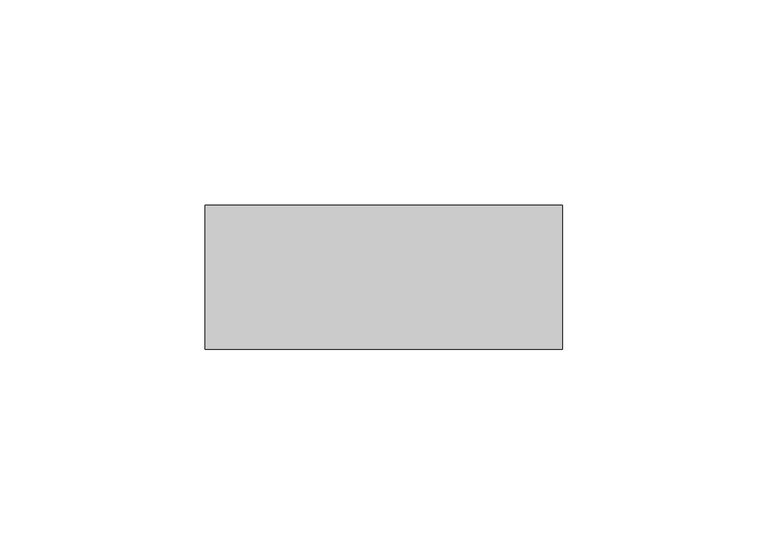
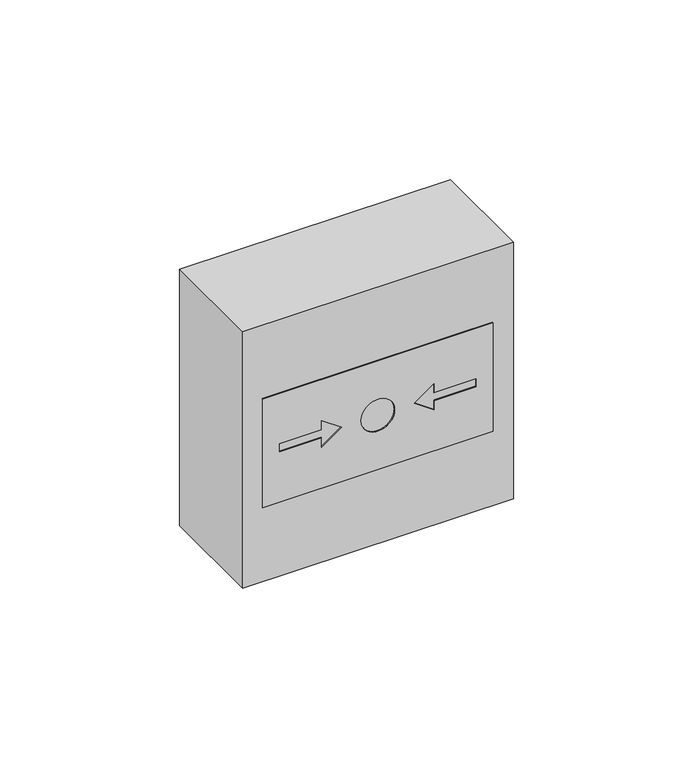
"""IFC4 building model written with IfcOpenShell, lengths in millimetres: alarm geometry."""

import ifcopenshell
import ifcopenshell.guid

model = None  # the IFC model being written
_history = None  # IfcOwnerHistory: only IFC2X3 demands one
_inside = {}  # id of a spatial element -> (the spatial element, [elements in it])
_under = {}  # id of a project, library or spatial element -> (it, [spatial elements below it])
_declared = {}  # id of a project -> (the project, [libraries it declares])
_typed = {}  # id of a type object -> (the type object, [elements of that type])
_made_of = {}  # id of a material, layer set ... -> (it, [elements and type objects made of it])


def new_model(schema):
    """Start an empty IFC model of exactly this schema.

    Asked for "IFC4X3", IfcOpenShell would pick the latest addendum, in which some entities
    have other attributes; the version numbers below select the first issue.
    IFC2X3 requires an IfcOwnerHistory on every rooted entity: one is made here for all.
    """
    global model, _history
    if schema == "IFC4X3":
        model = ifcopenshell.file(schema_version=(4, 3, 0, 0))
    else:
        model = ifcopenshell.file(schema=schema)
    _inside.clear()
    _under.clear()
    _declared.clear()
    _typed.clear()
    _made_of.clear()
    _history = None
    if model.schema == "IFC2X3":
        org = make("IfcOrganization", Name="unknown")
        user = make(
            "IfcPersonAndOrganization",
            ThePerson=make("IfcPerson", FamilyName="unknown"),
            TheOrganization=org,
        )
        app = make(
            "IfcApplication",
            ApplicationDeveloper=org,
            Version="unknown",
            ApplicationFullName="unknown",
            ApplicationIdentifier="unknown",
        )
        _history = make(
            "IfcOwnerHistory",
            OwningUser=user,
            OwningApplication=app,
            ChangeAction="ADDED",
            CreationDate=0,
        )
    return model


def make(cls, **values):
    """One entity of the class cls with the attributes given. An attribute that is None is left unset."""
    return model.create_entity(
        cls, **{name: value for name, value in values.items() if value is not None}
    )


def rooted(cls, **values):
    """An entity with a GlobalId (a new one), such as an element, a storey or a relation."""
    return make(cls, GlobalId=ifcopenshell.guid.new(), OwnerHistory=_history, **values)


def si_unit(unit_type, name, prefix=None):
    """IfcSIUnit, for example si_unit("LENGTHUNIT", "METRE", prefix="MILLI")."""
    return make("IfcSIUnit", UnitType=unit_type, Prefix=prefix, Name=name)


def assignment(units):
    """IfcUnitAssignment: the units of a project."""
    return None if units is None else make("IfcUnitAssignment", Units=units)


def point(xyz):
    """IfcCartesianPoint."""
    return None if xyz is None else make("IfcCartesianPoint", Coordinates=xyz)


def direction(xyz):
    """IfcDirection."""
    return None if xyz is None else make("IfcDirection", DirectionRatios=xyz)


def frame(location, z_axis=None, x_axis=None):
    """IfcAxis2Placement3D, a coordinate frame: its origin and axes. An axis left out is left unset."""
    return make(
        "IfcAxis2Placement3D",
        Location=point(location),
        Axis=direction(z_axis),
        RefDirection=direction(x_axis),
    )


def frame_2d(location, x_axis=None):
    """IfcAxis2Placement2D, a coordinate frame in the plane: its origin and x axis."""
    return make(
        "IfcAxis2Placement2D", Location=point(location), RefDirection=direction(x_axis)
    )


def origin():
    """The frame at (0, 0, 0) with its axes left unset."""
    return frame((0.0, 0.0, 0.0))


def origin_2d():
    """The frame at (0, 0) in the plane with its x axis left unset."""
    return frame_2d((0.0, 0.0))


def place(relative_to, where):
    """IfcLocalPlacement: puts the frame where relative to a parent placement (None: the world)."""
    return make(
        "IfcLocalPlacement", PlacementRelTo=relative_to, RelativePlacement=where
    )


def context(
    kind, dimensions, precision=None, world=None, true_north=None, identifier=None
):
    """IfcGeometricRepresentationContext, for example the 3D "Model" context."""
    return make(
        "IfcGeometricRepresentationContext",
        ContextIdentifier=identifier,
        ContextType=kind,
        CoordinateSpaceDimension=dimensions,
        Precision=precision,
        WorldCoordinateSystem=world,
        TrueNorth=true_north,
    )


def project(units=None, contexts=None):
    """IfcProject with its units and contexts."""
    return rooted(
        "IfcProject",
        Name="project",
        RepresentationContexts=contexts,
        UnitsInContext=assignment(units),
    )


def spatial(cls, under=None, at=None, **own):
    """A site, building, storey or space (cls), placed at a placement, below another one or the project."""
    s = rooted(cls, ObjectPlacement=at, **own)
    if under is not None:
        _under.setdefault(under.id(), (under, []))[1].append(s)
    return s


def polyline(points):
    """IfcPolyline through the points."""
    return make("IfcPolyline", Points=[point(p) for p in points])


def circle_curve(where, radius):
    """IfcCircle in the frame where."""
    return make("IfcCircle", Position=where, Radius=radius)


def trimmed(basis, trim1, trim2, sense, master):
    """IfcTrimmedCurve: the piece of a basis curve between two trims."""
    return make(
        "IfcTrimmedCurve",
        BasisCurve=basis,
        Trim1=trim1,
        Trim2=trim2,
        SenseAgreement=sense,
        MasterRepresentation=master,
    )


def segment(curve, same_sense, transition):
    """IfcCompositeCurveSegment."""
    return make(
        "IfcCompositeCurveSegment",
        Transition=transition,
        SameSense=same_sense,
        ParentCurve=curve,
    )


def composite_curve(segments, self_intersect=None):
    """IfcCompositeCurve: segments joined end to end."""
    return make("IfcCompositeCurve", Segments=segments, SelfIntersect=self_intersect)


def outline(outer, holes=None, kind="AREA"):
    """IfcArbitraryClosedProfileDef: a profile drawn as a closed curve; with holes, ...WithVoids."""
    if holes is None:
        return make("IfcArbitraryClosedProfileDef", ProfileType=kind, OuterCurve=outer)
    return make(
        "IfcArbitraryProfileDefWithVoids",
        ProfileType=kind,
        OuterCurve=outer,
        InnerCurves=holes,
    )


def extrude(swept, where, along, depth):
    """IfcExtrudedAreaSolid: the profile swept, set in the frame where, extruded along a direction by depth."""
    return make(
        "IfcExtrudedAreaSolid",
        SweptArea=swept,
        Position=where,
        ExtrudedDirection=direction(along),
        Depth=depth,
    )


def faces_of(points, faces, orient=None, outer=None):
    """IfcFace entities. A face is a list of loops; a loop is a list of indices into points, from 0.

    orient and outer hold one flag for each loop. By default every Orientation is true, the
    first loop of a face is its IfcFaceOuterBound and the others are IfcFaceBound.
    """
    made = []
    for i, loops in enumerate(faces):
        bounds = []
        for j, loop in enumerate(loops):
            is_outer = j == 0 if outer is None else outer[i][j]
            bounds.append(
                make(
                    "IfcFaceOuterBound" if is_outer else "IfcFaceBound",
                    Bound=make("IfcPolyLoop", Polygon=[points[k] for k in loop]),
                    Orientation=True if orient is None else orient[i][j],
                )
            )
        made.append(make("IfcFace", Bounds=bounds))
    return made


def faceted_brep(points, faces, orient=None, outer=None, voids=None):
    """IfcFacetedBrep: a solid bounded by flat faces; with voids (closed shells), ...WithVoids."""
    shared = [point(p) for p in points]
    hull = make("IfcClosedShell", CfsFaces=faces_of(shared, faces, orient, outer))
    if voids is None:
        return make("IfcFacetedBrep", Outer=hull)
    return make(
        "IfcFacetedBrepWithVoids",
        Outer=hull,
        Voids=[
            make(cls, CfsFaces=faces_of(shared, fs, o, b)) for cls, fs, o, b in voids
        ],
    )


def shape(context_of_items, identifier, shape_type, items):
    """IfcShapeRepresentation: the items that make up one representation, for example the "Body"."""
    return make(
        "IfcShapeRepresentation",
        ContextOfItems=context_of_items,
        RepresentationIdentifier=identifier,
        RepresentationType=shape_type,
        Items=items,
    )


def source(mapping_origin, context_of_items, identifier, shape_type, items):
    """IfcRepresentationMap: a shape defined once, which mapped items show again and again."""
    return make(
        "IfcRepresentationMap",
        MappingOrigin=mapping_origin,
        MappedRepresentation=shape(context_of_items, identifier, shape_type, items),
    )


def transform(
    local_origin,
    x_axis=None,
    y_axis=None,
    z_axis=None,
    scale=None,
    scale2=None,
    scale3=None,
    uniform=True,
):
    """IfcCartesianTransformationOperator3D, or its non-uniform kind. x_axis, y_axis, z_axis: its Axis1, 2, 3."""
    if uniform:
        return make(
            "IfcCartesianTransformationOperator3D",
            Axis1=direction(x_axis),
            Axis2=direction(y_axis),
            LocalOrigin=point(local_origin),
            Scale=scale,
            Axis3=direction(z_axis),
        )
    return make(
        "IfcCartesianTransformationOperator3DnonUniform",
        Axis1=direction(x_axis),
        Axis2=direction(y_axis),
        LocalOrigin=point(local_origin),
        Scale=scale,
        Axis3=direction(z_axis),
        Scale2=scale2,
        Scale3=scale3,
    )


def mapped(mapping_source, mapping_target):
    """IfcMappedItem: shows the shape of a source again, moved by a transform."""
    return make(
        "IfcMappedItem", MappingSource=mapping_source, MappingTarget=mapping_target
    )


def made_of(thing, what):
    """Note that an element or type object is made of a material, layer set ...; save() writes the relation."""
    if what is not None:
        _made_of.setdefault(what.id(), (what, []))[1].append(thing)
    return thing


def element(
    cls,
    number,
    at=None,
    inside=None,
    cuts=None,
    type_object=None,
    material=None,
    context=None,
    identifier="Body",
    shape_type=None,
    held_by="IfcProductDefinitionShape",
    body=None,
    shapes=None,
    **own,
):
    """One element of the class cls, such as IfcWall. Its Tag is "e" and its number.

    at: its placement. inside: the storey or other place that contains it. cuts: it is an
    opening in that element (IfcRelVoidsElement). A single representation is given by context,
    identifier, shape_type and body (its items); several are given by shapes. held_by: the class
    of the entity that holds the representations. save() writes the other relations.
    """
    e = rooted(cls, Tag="e%d" % number, ObjectPlacement=at, **own)
    if body is not None:
        shapes = [shape(context, identifier, shape_type, body)]
    if shapes is not None:
        e.Representation = make(held_by, Representations=shapes)
    if inside is not None:
        _inside.setdefault(inside.id(), (inside, []))[1].append(e)
    if cuts is not None:
        rooted(
            "IfcRelVoidsElement", RelatingBuildingElement=cuts, RelatedOpeningElement=e
        )
    if type_object is not None:
        _typed.setdefault(type_object.id(), (type_object, []))[1].append(e)
    return made_of(e, material)


def aggregate(whole, parts):
    """IfcRelAggregates: a whole, such as a stair, and the parts it consists of."""
    return rooted("IfcRelAggregates", RelatingObject=whole, RelatedObjects=parts)


def save(model, path):
    """Write the relations noted so far, then the file.

    IfcRelAggregates (storeys below a building ...), IfcRelContainedInSpatialStructure (elements
    in a storey), IfcRelDefinesByType, IfcRelAssociatesMaterial and IfcRelDeclares: one each for
    every whole, place, type object, material and project.
    """
    for whole, parts in _under.values():
        aggregate(whole, parts)
    for where, things in _inside.values():
        rooted(
            "IfcRelContainedInSpatialStructure",
            RelatedElements=things,
            RelatingStructure=where,
        )
    for kind, things in _typed.values():
        rooted("IfcRelDefinesByType", RelatedObjects=things, RelatingType=kind)
    for what, things in _made_of.values():
        rooted("IfcRelAssociatesMaterial", RelatedObjects=things, RelatingMaterial=what)
    for by, libraries in _declared.values():
        rooted("IfcRelDeclares", RelatingContext=by, RelatedDefinitions=libraries)
    model.write(path)


def alarm_6831762a(model_context):
    return source(origin(), model_context, "Body", "SolidModel", [
        extrude(outline(polyline([(-18.4479225, -37.0), (-18.4479225, 37.0), (18.4479225, 37.0), (18.4479225, -37.0), (-18.4479225, -37.0)]), holes=[composite_curve([segment(trimmed(circle_curve(origin_2d(), 5.4), [point((0.0, 5.4))], [point((0.0, -5.4))], True, "CARTESIAN"), True, "CONTINUOUS"), segment(trimmed(circle_curve(origin_2d(), 5.4), [point((0.0, -5.4))], [point((0.0, 5.4))], True, "CARTESIAN"), True, "CONTINUOUS")], self_intersect=False), polyline([(-4.4560935, -18.063961), (-1.35, -18.063961), (-1.35, -31.563961), (1.35, -31.563961), (1.35, -18.063961), (4.4560935, -18.063961), (0.0, -11.7), (-4.4560935, -18.063961)]), polyline([(-4.4560935, 18.063961), (0.0, 11.7), (4.4560935, 18.063961), (1.35, 18.063961), (1.35, 31.563961), (-1.35, 31.563961), (-1.35, 18.063961), (-4.4560935, 18.063961)])]), frame((0.0, -35.0, 0.0), z_axis=(0.0, 1.0, 0.0), x_axis=(0.0, 0.0, 1.0)), (0.0, 0.0, 1.0), 5.0),
        extrude(outline(composite_curve([segment(trimmed(circle_curve(origin_2d(), 5.4), [point((0.0, 5.4))], [point((0.0, -5.4))], False, "CARTESIAN"), True, "CONTINUOUS"), segment(trimmed(circle_curve(origin_2d(), 5.4), [point((0.0, -5.4))], [point((0.0, 5.4))], False, "CARTESIAN"), True, "CONTINUOUS")], self_intersect=False)), frame((0.0, -35.0, 0.0), z_axis=(0.0, 1.0, 0.0), x_axis=(0.0, 0.0, 1.0)), (0.0, 0.0, 1.0), 5.0),
        extrude(outline(polyline([(-4.4560935, -18.063961), (0.0, -11.7), (4.4560935, -18.063961), (1.35, -18.063961), (1.35, -31.563961), (-1.35, -31.563961), (-1.35, -18.063961), (-4.4560935, -18.063961)])), frame((0.0, -35.0, 0.0), z_axis=(0.0, 1.0, 0.0), x_axis=(0.0, 0.0, 1.0)), (0.0, 0.0, 1.0), 5.0),
        extrude(outline(polyline([(-4.4560935, 18.063961), (-1.35, 18.063961), (-1.35, 31.563961), (1.35, 31.563961), (1.35, 18.063961), (4.4560935, 18.063961), (0.0, 11.7), (-4.4560935, 18.063961)])), frame((0.0, -35.0, 0.0), z_axis=(0.0, 1.0, 0.0), x_axis=(0.0, 0.0, 1.0)), (0.0, 0.0, 1.0), 5.0),
        faceted_brep([(-43.5, -35.0, -43.5), (43.5, -35.0, -43.5), (43.5, -35.0, 43.5), (-43.5, -35.0, 43.5), (-37.0, -35.0, -18.4479225), (-37.0, -35.0, 18.4479225), (37.0, -35.0, 18.4479225), (37.0, -35.0, -18.4479225), (-43.5, 0.0, -43.5), (43.5, 0.0, -43.5), (43.5, 0.0, 43.5), (-43.5, 0.0, 43.5), (-37.0, -30.0, -18.4479225), (-37.0, -30.0, 18.4479225), (37.0, -30.0, 18.4479225), (37.0, -30.0, -18.4479225)], [[[0, 1, 2, 3], [4, 5, 6, 7]], [[1, 0, 8, 9]], [[2, 1, 9, 10]], [[3, 2, 10, 11]], [[8, 0, 3, 11]], [[5, 4, 12, 13]], [[6, 5, 13, 14]], [[7, 6, 14, 15]], [[4, 7, 15, 12]], [[13, 12, 15, 14]], [[8, 11, 10, 9]]]),
    ])


if __name__ == "__main__":
    model = new_model("IFC4")
    model_context = context("Model", 3, world=origin())
    ifc_project = project(units=[si_unit("LENGTHUNIT", "METRE", prefix="MILLI")], contexts=[model_context])
    site = spatial("IfcSite", under=ifc_project)
    building = spatial("IfcBuilding", under=site)
    placement = place(None, origin())
    alarm_shape = alarm_6831762a(model_context)
    element("IfcAlarm", 1, at=placement, inside=building, context=model_context, shape_type="MappedRepresentation", body=[
        mapped(alarm_shape, transform((0.0, 0.0, 0.0), x_axis=(1.0, 0.0, 0.0), y_axis=(0.0, 1.0, 0.0), z_axis=(0.0, 0.0, 1.0))),
    ])
    save(model, "model.ifc")
